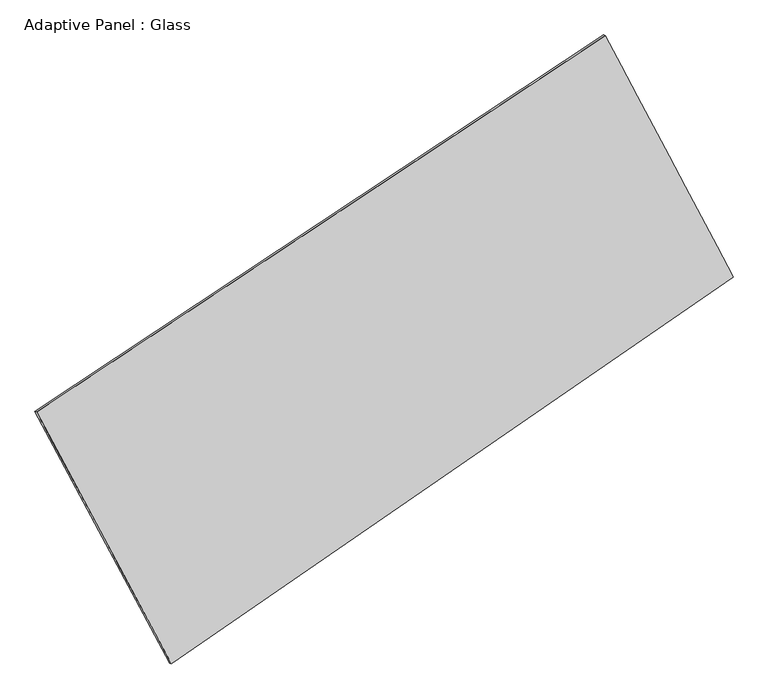
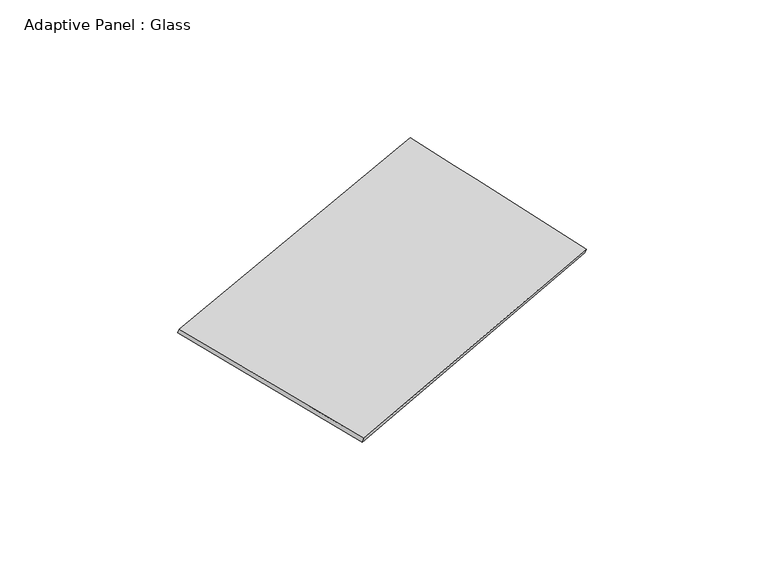
"""IFC4 building model written with IfcOpenShell, lengths in millimetres: plate geometry, Adaptive Panel : Glass."""

from ifc_helpers import new_model, si_unit, frame, origin, place, context, project, spatial, source, transform, mapped, element, save
from ifc_brep_helpers import plane_surface, spline_surface, advanced_brep


def adaptive_panel_glass_9e9a472e(model_context):
    return source(origin(), model_context, "Body", "AdvancedBrep", [
        advanced_brep(
        [(1211.694936, 2555.3779442, 675.3987844), (-3632.0403602, -654.207791, 1697.3127916), (-3617.3740043, -660.5878844, 1744.6856997), (1226.3612918, 2548.9978508, 722.7716924), (-2483.3173835, -2800.1814771, 1097.2414844), (-2468.6510277, -2806.5615706, 1144.6143924), (2300.3722296, 498.762751, 15.1694599), (2315.0385854, 492.3826576, 62.5423679)],
        [
            (0, 1),
            (1, 2),
            (2, 3),
            (3, 0),
            (1, 4),
            (4, 5),
            (5, 2),
            (4, 6),
            (6, 7),
            (7, 5),
            (6, 0),
            (3, 7),
        ],
        [
            plane_surface(frame((-1210.1727121, 950.5850766, 1186.355788), z_axis=(-0.4933442610529452, 0.8286942023141355, 0.2643432600560537), x_axis=(-0.821001324984875, -0.5440169580177032, 0.17321193308269658))),
            plane_surface(frame((-3057.6788719, -1727.194634, 1397.277138), z_axis=(-0.841692427663439, -0.5044209647348677, 0.19264824824008125), x_axis=(0.4582133539228283, -0.8560060346846682, -0.23936204977026693))),
            plane_surface(frame((-91.472577, -1150.7093631, 556.2054721), z_axis=(0.5054500903301395, -0.8205102713023404, -0.26698895271642503), x_axis=(0.8093129016974001, 0.5581211035297714, -0.18306682097213708))),
            plane_surface(frame((1756.0335828, 1527.0703476, 345.2841221), z_axis=(0.8405418583220816, 0.5065816667401738, -0.19200103992220824), x_axis=(-0.4500823877042857, 0.8502485375076744, 0.27295286909001343))),
            spline_surface(1, 1, [[(-3617.3740043, -660.5878844, 1744.6856997), (1226.3612918, 2548.9978508, 722.7716924)], [(-2468.6510277, -2806.5615706, 1144.6143924), (2315.0385854, 492.3826576, 62.5423679)]], [2, 2], [2, 2], [0.0, 1.0], [0.0, 1.0]),
            spline_surface(1, 1, [[(2300.3722296, 498.762751, 15.1694599), (1211.694936, 2555.3779442, 675.3987844)], [(-2483.3173835, -2800.1814771, 1097.2414844), (-3632.0403602, -654.207791, 1697.3127916)]], [2, 2], [2, 2], [0.0, 1.0], [0.0, 1.0]),
        ],
        [
            (0, [[1, 2, 3, 4]]),
            (1, [[5, 6, 7, -2]]),
            (2, [[8, 9, 10, -6]]),
            (3, [[11, -4, 12, -9]]),
            (4, [[-3, -7, -10, -12]]),
            (5, [[-11, -8, -5, -1]]),
        ],
    ),
    ])


if __name__ == "__main__":
    model = new_model("IFC4")
    model_context = context("Model", 3, world=origin())
    ifc_project = project(units=[si_unit("LENGTHUNIT", "METRE", prefix="MILLI")], contexts=[model_context])
    site = spatial("IfcSite", under=ifc_project)
    building = spatial("IfcBuilding", under=site)
    placement = place(None, origin())
    adaptive_panel_glass_shape = adaptive_panel_glass_9e9a472e(model_context)
    element("IfcPlate", 1, ObjectType="Adaptive Panel : Glass", at=placement, inside=building, context=model_context, shape_type="MappedRepresentation", body=[
        mapped(adaptive_panel_glass_shape, transform((0.0, 0.0, 0.0), x_axis=(1.0, 0.0, 0.0), y_axis=(0.0, 1.0, 0.0), z_axis=(0.0, 0.0, 1.0))),
    ])
    save(model, "model.ifc")
